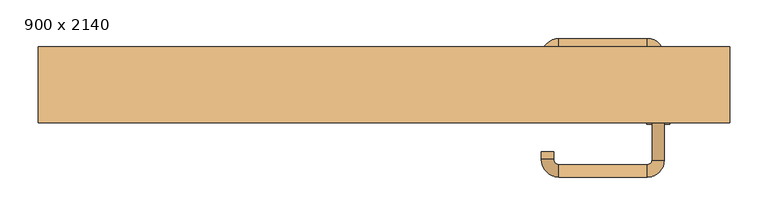
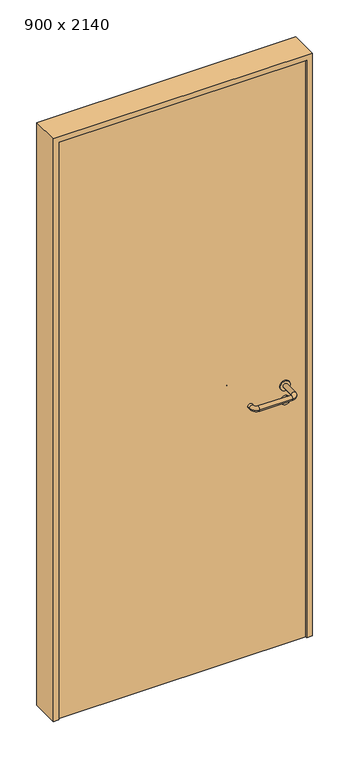
"""IFC4 building model written with IfcOpenShell, lengths in millimetres: door geometry, 900 x 2140."""

from ifc_helpers import new_model, si_unit, point, frame, frame_2d, origin, origin_with_axes, place, context, project, spatial, polyline, circle_curve, ellipse_curve, trimmed, segment, composite_curve, outline, extrude, source, transform, mapped, element, save
from ifc_brep_helpers import plane_surface, cylinder_surface, revolved_surface, advanced_brep


def door_900_x_2140_720f4335(model_context):
    return source(origin(), model_context, "Body", "SolidModel", [
        extrude(outline(composite_curve([segment(trimmed(circle_curve(frame_2d((897.3605726, 357.0)), 15.0), [point((897.3605726, 372.0))], [point((897.3605726, 342.0))], False, "CARTESIAN"), True, "CONTINUOUS"), segment(trimmed(circle_curve(frame_2d((897.3605726, 357.0)), 15.0), [point((897.3605726, 342.0))], [point((897.3605726, 372.0))], False, "CARTESIAN"), True, "CONTINUOUS")], self_intersect=False), holes=[composite_curve([segment(trimmed(circle_curve(frame_2d((892.5833211, 356.9398032)), 2.0), [point((892.5833211, 358.9398032))], [point((892.5833211, 354.9398032))], True, "CARTESIAN"), True, "CONTINUOUS"), segment(polyline([(892.5833211, 354.9398032), (902.5833211, 354.9398032)]), True, "CONTINUOUS"), segment(trimmed(circle_curve(frame_2d((902.5833211, 356.9398032)), 2.0), [point((902.5833211, 354.9398032))], [point((902.5833211, 358.9398032))], True, "CARTESIAN"), True, "CONTINUOUS"), segment(polyline([(902.5833211, 358.9398032), (892.5833211, 358.9398032)]), True, "CONTINUOUS")], self_intersect=False)]), frame((0.0, -15.0, 0.0), z_axis=(0.0, 1.0, 0.0), x_axis=(0.0, 0.0, 1.0)), (0.0, 0.0, 1.0), 6.35),
        extrude(outline(composite_curve([segment(trimmed(circle_curve(frame_2d((950.0, 357.0)), 17.526), [point((950.0, 374.526))], [point((950.0, 339.474))], False, "CARTESIAN"), True, "CONTINUOUS"), segment(trimmed(circle_curve(frame_2d((950.0, 357.0)), 17.526), [point((950.0, 339.474))], [point((950.0, 374.526))], False, "CARTESIAN"), True, "CONTINUOUS")], self_intersect=False)), frame((0.0, -15.0, 0.0), z_axis=(0.0, 1.0, 0.0), x_axis=(0.0, 0.0, 1.0)), (0.0, 0.0, 1.0), 3.175),
        advanced_brep(
        [(365.0, -15.0, 950.0), (349.0, -15.0, 950.0), (365.0, 38.0, 950.0), (349.0, 38.0, 950.0), (342.8578644, 44.1421356, 950.0), (342.8578644, 60.1421356, 950.0), (227.8578644, 60.1421356, 950.0), (227.8578644, 44.1421356, 950.0), (221.008622, 37.2928932, 950.0), (205.008622, 37.2928932, 950.0), (205.008622, 27.2928932, 950.0), (221.008622, 27.2928932, 950.0)],
        [
            (0, 1, circle_curve(frame((357.0, -15.0, 950.0), z_axis=(0.0, -1.0, 0.0), x_axis=(-1.0, 0.0, 0.0)), 8.0)),
            (1, 0, circle_curve(frame((357.0, -15.0, 950.0), z_axis=(0.0, -1.0, 0.0), x_axis=(-1.0, 0.0, 0.0)), 8.0)),
            (0, 2),
            (2, 3, circle_curve(frame((357.0, 38.0, 950.0), z_axis=(0.0, -1.0, 0.0), x_axis=(-1.0, 0.0, 0.0)), 8.0)),
            (3, 1),
            (3, 2, circle_curve(frame((357.0, 38.0, 950.0), z_axis=(0.0, -1.0, 0.0), x_axis=(-1.0, 0.0, 0.0)), 8.0)),
            (4, 3, circle_curve(frame((342.8578644, 38.0, 950.0), z_axis=(0.0, 0.0, -1.0), x_axis=(1.0, 0.0, 0.0)), 6.1421356)),
            (2, 5, circle_curve(frame((342.8578644, 38.0, 950.0), z_axis=(0.0, 0.0, 1.0), x_axis=(1.0, 0.0, 0.0)), 22.1421356)),
            (5, 4, circle_curve(frame((342.8578644, 52.1421356, 950.0), z_axis=(1.0, 0.0, 0.0), x_axis=(0.0, -1.0, 0.0)), 8.0)),
            (4, 5, circle_curve(frame((342.8578644, 52.1421356, 950.0), z_axis=(1.0, 0.0, 0.0), x_axis=(0.0, -1.0, 0.0)), 8.0)),
            (5, 6),
            (6, 7, circle_curve(frame((227.8578644, 52.1421356, 950.0), z_axis=(1.0, 0.0, 0.0), x_axis=(0.0, -1.0, 0.0)), 8.0)),
            (7, 4),
            (7, 6, circle_curve(frame((227.8578644, 52.1421356, 950.0), z_axis=(1.0, 0.0, 0.0), x_axis=(0.0, -1.0, 0.0)), 8.0)),
            (8, 7, circle_curve(frame((227.8578644, 37.2928932, 950.0), z_axis=(0.0, 0.0, -1.0), x_axis=(0.0, 1.0, 0.0)), 6.8492424)),
            (6, 9, circle_curve(frame((227.8578644, 37.2928932, 950.0), z_axis=(0.0, 0.0, 1.0), x_axis=(0.0, 1.0, 0.0)), 22.8492424)),
            (9, 8, circle_curve(frame((213.008622, 37.2928932, 950.0), z_axis=(0.0, 1.0, 0.0), x_axis=(1.0, 0.0, 0.0)), 8.0)),
            (8, 9, circle_curve(frame((213.008622, 37.2928932, 950.0), z_axis=(0.0, 1.0, 0.0), x_axis=(1.0, 0.0, 0.0)), 8.0)),
            (10, 11, circle_curve(frame((213.008622, 27.2928932, 950.0), z_axis=(0.0, -1.0, 0.0), x_axis=(1.0, 0.0, 0.0)), 8.0)),
            (11, 10, circle_curve(frame((213.008622, 27.2928932, 950.0), z_axis=(0.0, -1.0, 0.0), x_axis=(1.0, 0.0, 0.0)), 8.0)),
            (9, 10),
            (11, 8),
        ],
        [
            plane_surface(frame((357.0, -15.0, 0.0), z_axis=(0.0, -1.0, 0.0), x_axis=(0.0, 0.0, 1.0))),
            cylinder_surface(frame((357.0, -15.0, 950.0), z_axis=(0.0, -1.0, 0.0), x_axis=(-1.0, 0.0, 0.0)), 8.0),
            revolved_surface(trimmed(ellipse_curve(frame((357.0, 38.0, 950.0), z_axis=(0.0, -1.0, 0.0), x_axis=(-1.0, 0.0, 0.0)), 8.0, 8.0), [point((365.0, 38.0, 950.0))], [point((349.0, 38.0, 950.0))], True, "CARTESIAN"), (342.8578644, 38.0, 0.0), (0.0, 0.0, 1.0)),
            revolved_surface(trimmed(ellipse_curve(frame((357.0, 38.0, 950.0), z_axis=(0.0, -1.0, 0.0), x_axis=(-1.0, 0.0, 0.0)), 8.0, 8.0), [point((349.0, 38.0, 950.0))], [point((365.0, 38.0, 950.0))], True, "CARTESIAN"), (342.8578644, 38.0, 0.0), (0.0, 0.0, 1.0)),
            cylinder_surface(frame((342.8578644, 52.1421356, 950.0), z_axis=(1.0, 0.0, 0.0), x_axis=(0.0, -1.0, 0.0)), 8.0),
            revolved_surface(trimmed(ellipse_curve(frame((227.8578644, 52.1421356, 950.0), z_axis=(1.0, 0.0, 0.0), x_axis=(0.0, -1.0, 0.0)), 8.0, 8.0), [point((227.8578644, 60.1421356, 950.0))], [point((227.8578644, 44.1421356, 950.0))], True, "CARTESIAN"), (227.8578644, 37.2928932, 0.0), (0.0, 0.0, 1.0)),
            revolved_surface(trimmed(ellipse_curve(frame((227.8578644, 52.1421356, 950.0), z_axis=(1.0, 0.0, 0.0), x_axis=(0.0, -1.0, 0.0)), 8.0, 8.0), [point((227.8578644, 44.1421356, 950.0))], [point((227.8578644, 60.1421356, 950.0))], True, "CARTESIAN"), (227.8578644, 37.2928932, 0.0), (0.0, 0.0, 1.0)),
            plane_surface(frame((213.008622, 27.2928932, 0.0), z_axis=(0.0, -1.0, 0.0), x_axis=(0.0, 0.0, 1.0))),
            cylinder_surface(frame((213.008622, 37.2928932, 950.0), z_axis=(0.0, 1.0, 0.0), x_axis=(1.0, 0.0, 0.0)), 8.0),
        ],
        [
            (0, [[1, 2]]),
            (1, [[-1, 3, 4, 5]]),
            (1, [[-2, -5, 6, -3]]),
            (2, [[7, -4, 8, 9]]),
            (3, [[-8, -6, -7, 10]]),
            (4, [[-9, 11, 12, 13]]),
            (4, [[-10, -13, 14, -11]]),
            (5, [[15, -12, 16, 17]]),
            (6, [[-16, -14, -15, 18]]),
            (7, [[19, 20]]),
            (8, [[-17, 21, -20, 22]]),
            (8, [[-18, -22, -19, -21]]),
        ],
    ),
        extrude(outline(composite_curve([segment(trimmed(circle_curve(frame_2d((0.0, 15.0)), 15.0), [point((0.0, 30.0))], [point((0.0, 0.0))], False, "CARTESIAN"), True, "CONTINUOUS"), segment(trimmed(circle_curve(frame_2d((0.0, 15.0)), 15.0), [point((0.0, 0.0))], [point((0.0, 30.0))], False, "CARTESIAN"), True, "CONTINUOUS")], self_intersect=False), holes=[composite_curve([segment(trimmed(circle_curve(frame_2d((-4.7772515, 14.9398032)), 2.0), [point((-4.7772515, 16.9398032))], [point((-4.7772515, 12.9398032))], True, "CARTESIAN"), True, "CONTINUOUS"), segment(polyline([(-4.7772515, 12.9398032), (5.2227485, 12.9398032)]), True, "CONTINUOUS"), segment(trimmed(circle_curve(frame_2d((5.2227485, 14.9398032)), 2.0), [point((5.2227485, 12.9398032))], [point((5.2227485, 16.9398032))], True, "CARTESIAN"), True, "CONTINUOUS"), segment(polyline([(5.2227485, 16.9398032), (-4.7772515, 16.9398032)]), True, "CONTINUOUS")], self_intersect=False)]), frame((342.0, -51.35, 897.3605726), z_axis=(-1.8870575173328306e-12, 1.0, 0.0), x_axis=(0.0, 0.0, 1.0)), (0.0, 0.0, 1.0), 6.35),
        extrude(outline(composite_curve([segment(trimmed(circle_curve(frame_2d((0.0, 17.526)), 17.526), [point((0.0, 35.052))], [point((0.0, 0.0))], False, "CARTESIAN"), True, "CONTINUOUS"), segment(trimmed(circle_curve(frame_2d((0.0, 17.526)), 17.526), [point((0.0, 0.0))], [point((0.0, 35.052))], False, "CARTESIAN"), True, "CONTINUOUS")], self_intersect=False)), frame((339.474, -48.175, 950.0), z_axis=(-1.8870575173328306e-12, 1.0, 0.0), x_axis=(0.0, 0.0, 1.0)), (0.0, 0.0, 1.0), 3.175),
        advanced_brep(
        [(365.0, -45.0, 950.0), (349.0, -45.0, 950.0), (349.0, -98.0, 950.0), (365.0, -98.0, 950.0), (342.8578644, -104.1421356, 950.0), (342.8578644, -120.1421356, 950.0), (227.8578644, -104.1421356, 950.0), (227.8578644, -120.1421356, 950.0), (221.008622, -97.2928932, 950.0), (205.008622, -97.2928932, 950.0), (205.008622, -87.2928932, 950.0), (221.008622, -87.2928932, 950.0)],
        [
            (0, 1, circle_curve(frame((357.0, -45.0, 950.0), z_axis=(-1.888672253512351e-12, 1.0, 0.0), x_axis=(-1.0, -1.888672253512351e-12, 0.0)), 8.0)),
            (1, 0, circle_curve(frame((357.0, -45.0, 950.0), z_axis=(-1.888672253512351e-12, 1.0, 0.0), x_axis=(-1.0, -1.888672253512351e-12, 0.0)), 8.0)),
            (1, 2),
            (2, 3, circle_curve(frame((357.0, -98.0, 950.0), z_axis=(-1.888672253512351e-12, 1.0, 0.0), x_axis=(-1.0, -1.888672253512351e-12, 0.0)), 8.0)),
            (3, 0),
            (3, 2, circle_curve(frame((357.0, -98.0, 950.0), z_axis=(-1.888672253512351e-12, 1.0, 0.0), x_axis=(-1.0, -1.888672253512351e-12, 0.0)), 8.0)),
            (4, 5, circle_curve(frame((342.8578644, -112.1421356, 950.0), z_axis=(1.0, 1.913702061528922e-12, 0.0), x_axis=(-1.913702061528922e-12, 1.0, 0.0)), 8.0)),
            (5, 3, circle_curve(frame((342.8578644, -98.0, 950.0), z_axis=(0.0, 0.0, 1.0), x_axis=(1.0, 1.880717803715015e-12, 0.0)), 22.1421356)),
            (2, 4, circle_curve(frame((342.8578644, -98.0, 950.0), z_axis=(0.0, 0.0, -1.0), x_axis=(1.0, 1.880717803715015e-12, 0.0)), 6.1421356)),
            (5, 4, circle_curve(frame((342.8578644, -112.1421356, 950.0), z_axis=(1.0, 1.913702061528922e-12, 0.0), x_axis=(-1.913702061528922e-12, 1.0, 0.0)), 8.0)),
            (4, 6),
            (6, 7, circle_curve(frame((227.8578644, -112.1421356, 950.0), z_axis=(1.0, 1.913719828541269e-12, 0.0), x_axis=(-1.913719828541269e-12, 1.0, 0.0)), 8.0)),
            (7, 5),
            (7, 6, circle_curve(frame((227.8578644, -112.1421356, 950.0), z_axis=(1.0, 1.913719828541269e-12, 0.0), x_axis=(-1.913719828541269e-12, 1.0, 0.0)), 8.0)),
            (8, 9, circle_curve(frame((213.008622, -97.2928932, 950.0), z_axis=(1.8888942981172756e-12, -1.0, 0.0), x_axis=(1.0, 1.8888942981172756e-12, 0.0)), 8.0)),
            (9, 7, circle_curve(frame((227.8578644, -97.2928932, 950.0), z_axis=(0.0, 0.0, 1.0), x_axis=(1.9120873253494017e-12, -1.0, 0.0)), 22.8492424)),
            (6, 8, circle_curve(frame((227.8578644, -97.2928932, 950.0), z_axis=(0.0, 0.0, -1.0), x_axis=(1.9120873253494017e-12, -1.0, 0.0)), 6.8492424)),
            (9, 8, circle_curve(frame((213.008622, -97.2928932, 950.0), z_axis=(1.890448610351751e-12, -1.0, 0.0), x_axis=(1.0, 1.890448610351751e-12, 0.0)), 8.0)),
            (10, 11, circle_curve(frame((213.008622, -87.2928932, 950.0), z_axis=(-1.8903642334018795e-12, 1.0, 0.0), x_axis=(1.0, 1.8903642334018795e-12, 0.0)), 8.0)),
            (11, 10, circle_curve(frame((213.008622, -87.2928932, 950.0), z_axis=(-1.8903642334018795e-12, 1.0, 0.0), x_axis=(1.0, 1.8903642334018795e-12, 0.0)), 8.0)),
            (8, 11),
            (10, 9),
        ],
        [
            plane_surface(frame((357.0, -45.0, 0.0), z_axis=(-1.8870575173328306e-12, 1.0, 0.0), x_axis=(0.0, 0.0, 1.0))),
            cylinder_surface(frame((357.0, -45.0, 950.0), z_axis=(-1.888672253512351e-12, 1.0, 0.0), x_axis=(-1.0, -1.888672253512351e-12, 0.0)), 8.0),
            revolved_surface(trimmed(ellipse_curve(frame((357.0, -98.0, 950.0), z_axis=(1.8823325398945356e-12, -1.0, 0.0), x_axis=(-1.0, -1.8823325398945356e-12, 0.0)), 8.0, 8.0), [point((365.0, -98.0, 950.0))], [point((349.0, -98.0, 950.0))], True, "CARTESIAN"), (342.8578644, -98.0, 0.0), (0.0, 0.0, 1.0)),
            revolved_surface(trimmed(ellipse_curve(frame((357.0, -98.0, 950.0), z_axis=(1.8823325398945356e-12, -1.0, 0.0), x_axis=(-1.0, -1.8823325398945356e-12, 0.0)), 8.0, 8.0), [point((349.0, -98.0, 950.0))], [point((365.0, -98.0, 950.0))], True, "CARTESIAN"), (342.8578644, -98.0, 0.0), (0.0, 0.0, 1.0)),
            cylinder_surface(frame((342.8578644, -112.1421356, 950.0), z_axis=(1.0, 1.913719828541269e-12, 0.0), x_axis=(-1.913719828541269e-12, 1.0, 0.0)), 8.0),
            revolved_surface(trimmed(ellipse_curve(frame((227.8578644, -112.1421356, 950.0), z_axis=(-1.0, -1.913702061528922e-12, 0.0), x_axis=(-1.913702061528922e-12, 1.0, 0.0)), 8.0, 8.0), [point((227.8578644, -120.1421356, 950.0))], [point((227.8578644, -104.1421356, 950.0))], True, "CARTESIAN"), (227.8578644, -97.2928932, 0.0), (0.0, 0.0, 1.0)),
            revolved_surface(trimmed(ellipse_curve(frame((227.8578644, -112.1421356, 950.0), z_axis=(-1.0, -1.913702061528922e-12, 0.0), x_axis=(-1.913702061528922e-12, 1.0, 0.0)), 8.0, 8.0), [point((227.8578644, -104.1421356, 950.0))], [point((227.8578644, -120.1421356, 950.0))], True, "CARTESIAN"), (227.8578644, -97.2928932, 0.0), (0.0, 0.0, 1.0)),
            plane_surface(frame((213.008622, -87.2928932, 0.0), z_axis=(-1.8887494972223595e-12, 1.0, 0.0), x_axis=(0.0, 0.0, 1.0))),
            cylinder_surface(frame((213.008622, -97.2928932, 950.0), z_axis=(1.8903642334018795e-12, -1.0, 0.0), x_axis=(1.0, 1.8903642334018795e-12, 0.0)), 8.0),
        ],
        [
            (0, [[1, 2]]),
            (1, [[3, 4, 5, -2]]),
            (1, [[-5, 6, -3, -1]]),
            (2, [[7, 8, -4, 9]]),
            (3, [[10, -9, -6, -8]]),
            (4, [[11, 12, 13, -7]]),
            (4, [[-13, 14, -11, -10]]),
            (5, [[15, 16, -12, 17]]),
            (6, [[18, -17, -14, -16]]),
            (7, [[19, 20]]),
            (8, [[21, -19, 22, -15]]),
            (8, [[-22, -20, -21, -18]]),
        ],
    ),
        extrude(outline(polyline([(2120.0, 430.0), (0.0, 430.0), (0.0, 450.0), (2140.0, 450.0), (2140.0, -450.0), (0.0, -450.0), (0.0, -430.0), (2120.0, -430.0), (2120.0, 430.0)])), frame((0.0, -50.0, 0.0), z_axis=(0.0, 1.0, 0.0), x_axis=(0.0, 0.0, 1.0)), (0.0, 0.0, 1.0), 99.0),
        extrude(outline(polyline([(-430.0, -45.0), (-430.0, -15.0), (430.0, -15.0), (430.0, -45.0), (-430.0, -45.0)])), origin_with_axes(), (0.0, 0.0, 1.0), 2120.0),
    ])


if __name__ == "__main__":
    model = new_model("IFC4")
    model_context = context("Model", 3, world=origin())
    ifc_project = project(units=[si_unit("LENGTHUNIT", "METRE", prefix="MILLI")], contexts=[model_context])
    site = spatial("IfcSite", under=ifc_project)
    building = spatial("IfcBuilding", under=site)
    placement = place(None, origin())
    door_900_x_2140_shape = door_900_x_2140_720f4335(model_context)
    element("IfcDoor", 1, ObjectType="900 x 2140", at=placement, inside=building, context=model_context, shape_type="MappedRepresentation", body=[
        mapped(door_900_x_2140_shape, transform((0.0, 0.0, 0.0), x_axis=(1.0, 0.0, 0.0), y_axis=(0.0, 1.0, 0.0), z_axis=(0.0, 0.0, 1.0))),
    ])
    save(model, "model.ifc")
